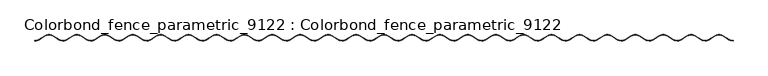
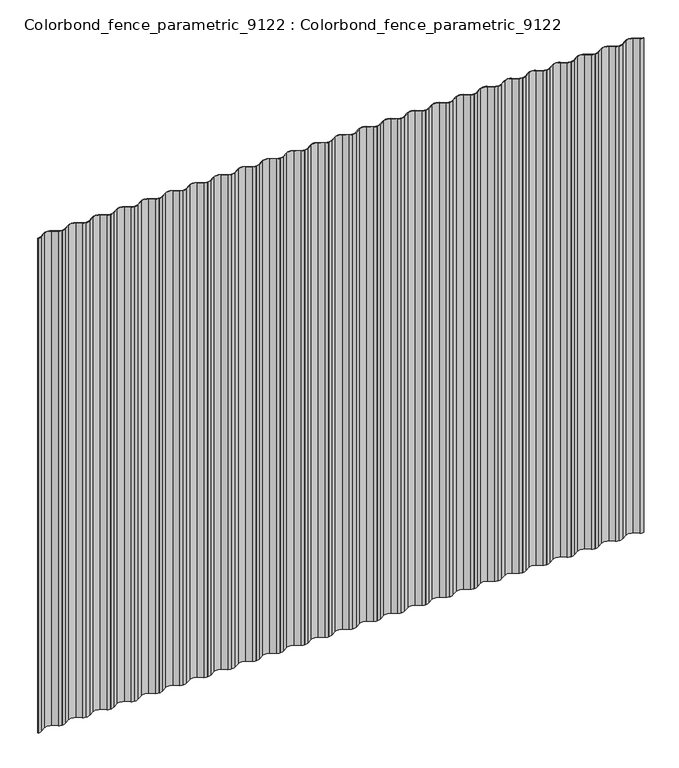
"""IFC4 building model written with IfcOpenShell, lengths in millimetres: geographic element geometry, Colorbond_fence_parametric_9122 : Colorbond_fence_parametric_9122."""

from ifc_helpers import new_model, si_unit, point, frame, frame_2d, origin, place, context, project, spatial, polyline, circle_curve, trimmed, segment, composite_curve, outline, extrude, source, transform, mapped, element, save


def colorbond_fence_parametric_9122_colorbond_fence_parametric_414542cd(model_context):
    return source(origin(), model_context, "Body", "SweptSolid", [
        extrude(outline(composite_curve([segment(trimmed(circle_curve(frame_2d((882.3667914, 13.9335607)), 21.4733449), [point((882.3667914, -7.5397842))], [point((893.0655936, -4.6847145))], True, "CARTESIAN"), True, "CONTINUOUS"), segment(polyline([(893.0655936, -4.6847145), (908.6247884, 5.3129837)]), True, "CONTINUOUS"), segment(trimmed(circle_curve(frame_2d((920.3628068, -15.1415588)), 23.5832437), [point((908.6247884, 5.3129837))], [point((932.1008248, 5.3129839))], False, "CARTESIAN"), True, "CONTINUOUS"), segment(polyline([(932.1008248, 5.3129839), (947.6530653, -4.6802451)]), True, "CONTINUOUS"), segment(trimmed(circle_curve(frame_2d((958.3588223, 14.6914759)), 22.1331608), [point((947.6530653, -4.6802451))], [point((958.3588221, -7.4416849))], True, "CARTESIAN"), True, "CONTINUOUS"), segment(polyline([(958.3588221, -7.4416849), (958.3588221, -8.4416849)]), True, "CONTINUOUS"), segment(trimmed(circle_curve(frame_2d((958.3588223, 14.6914759)), 23.1331608), [point((958.3588221, -8.4416849))], [point((947.1400558, -5.5392534))], False, "CARTESIAN"), True, "CONTINUOUS"), segment(polyline([(947.1400558, -5.5392534), (931.5815734, 4.4579864)]), True, "CONTINUOUS"), segment(trimmed(circle_curve(frame_2d((920.3628068, -15.1415588)), 22.5832437), [point((931.5815734, 4.4579864))], [point((909.1440398, 4.4579862))], True, "CARTESIAN"), True, "CONTINUOUS"), segment(polyline([(909.1440398, 4.4579862), (893.5855584, -5.5392536)]), True, "CONTINUOUS"), segment(trimmed(circle_curve(frame_2d((882.3667914, 13.9335607)), 22.4733449), [point((893.5855584, -5.5392536))], [point((882.3667914, -8.5397842))], False, "CARTESIAN"), True, "CONTINUOUS"), segment(polyline([(882.3667914, -8.5397842), (882.3667914, -7.5397842)]), True, "CONTINUOUS")], self_intersect=False)), frame((0.0, 0.0, 110.0), z_axis=(0.0, 0.0, 1.0), x_axis=(1.0, 0.0, 0.0)), (0.0, 0.0, 1.0), 1630.0),
        extrude(outline(composite_curve([segment(trimmed(circle_curve(frame_2d((806.8283298, 13.9335607)), 21.4733449), [point((806.8283298, -7.5397842))], [point((817.5271321, -4.6847145))], True, "CARTESIAN"), True, "CONTINUOUS"), segment(polyline([(817.5271321, -4.6847145), (833.0863269, 5.3129837)]), True, "CONTINUOUS"), segment(trimmed(circle_curve(frame_2d((844.8243452, -15.1415588)), 23.5832437), [point((833.0863269, 5.3129837))], [point((856.5623632, 5.3129839))], False, "CARTESIAN"), True, "CONTINUOUS"), segment(polyline([(856.5623632, 5.3129839), (872.1146038, -4.6802451)]), True, "CONTINUOUS"), segment(trimmed(circle_curve(frame_2d((882.8203608, 14.6914759)), 22.1331608), [point((872.1146038, -4.6802451))], [point((882.8203605, -7.4416849))], True, "CARTESIAN"), True, "CONTINUOUS"), segment(polyline([(882.8203605, -7.4416849), (882.8203605, -8.4416849)]), True, "CONTINUOUS"), segment(trimmed(circle_curve(frame_2d((882.8203608, 14.6914759)), 23.1331608), [point((882.8203605, -8.4416849))], [point((871.6015943, -5.5392534))], False, "CARTESIAN"), True, "CONTINUOUS"), segment(polyline([(871.6015943, -5.5392534), (856.0431118, 4.4579864)]), True, "CONTINUOUS"), segment(trimmed(circle_curve(frame_2d((844.8243452, -15.1415588)), 22.5832437), [point((856.0431118, 4.4579864))], [point((833.6055783, 4.4579862))], True, "CARTESIAN"), True, "CONTINUOUS"), segment(polyline([(833.6055783, 4.4579862), (818.0470968, -5.5392536)]), True, "CONTINUOUS"), segment(trimmed(circle_curve(frame_2d((806.8283298, 13.9335607)), 22.4733449), [point((818.0470968, -5.5392536))], [point((806.8283298, -8.5397842))], False, "CARTESIAN"), True, "CONTINUOUS"), segment(polyline([(806.8283298, -8.5397842), (806.8283298, -7.5397842)]), True, "CONTINUOUS")], self_intersect=False)), frame((0.0, 0.0, 110.0), z_axis=(0.0, 0.0, 1.0), x_axis=(1.0, 0.0, 0.0)), (0.0, 0.0, 1.0), 1630.0),
        extrude(outline(composite_curve([segment(trimmed(circle_curve(frame_2d((731.2898683, 13.9335607)), 21.4733449), [point((731.2898683, -7.5397842))], [point((741.9886706, -4.6847145))], True, "CARTESIAN"), True, "CONTINUOUS"), segment(polyline([(741.9886706, -4.6847145), (757.5478653, 5.3129837)]), True, "CONTINUOUS"), segment(trimmed(circle_curve(frame_2d((769.2858837, -15.1415588)), 23.5832437), [point((757.5478653, 5.3129837))], [point((781.0239017, 5.3129839))], False, "CARTESIAN"), True, "CONTINUOUS"), segment(polyline([(781.0239017, 5.3129839), (796.5761422, -4.6802451)]), True, "CONTINUOUS"), segment(trimmed(circle_curve(frame_2d((807.2818992, 14.6914759)), 22.1331608), [point((796.5761422, -4.6802451))], [point((807.281899, -7.4416849))], True, "CARTESIAN"), True, "CONTINUOUS"), segment(polyline([(807.281899, -7.4416849), (807.281899, -8.4416849)]), True, "CONTINUOUS"), segment(trimmed(circle_curve(frame_2d((807.2818992, 14.6914759)), 23.1331608), [point((807.281899, -8.4416849))], [point((796.0631327, -5.5392534))], False, "CARTESIAN"), True, "CONTINUOUS"), segment(polyline([(796.0631327, -5.5392534), (780.5046503, 4.4579864)]), True, "CONTINUOUS"), segment(trimmed(circle_curve(frame_2d((769.2858837, -15.1415588)), 22.5832437), [point((780.5046503, 4.4579864))], [point((758.0671167, 4.4579862))], True, "CARTESIAN"), True, "CONTINUOUS"), segment(polyline([(758.0671167, 4.4579862), (742.5086353, -5.5392536)]), True, "CONTINUOUS"), segment(trimmed(circle_curve(frame_2d((731.2898683, 13.9335607)), 22.4733449), [point((742.5086353, -5.5392536))], [point((731.2898683, -8.5397842))], False, "CARTESIAN"), True, "CONTINUOUS"), segment(polyline([(731.2898683, -8.5397842), (731.2898683, -7.5397842)]), True, "CONTINUOUS")], self_intersect=False)), frame((0.0, 0.0, 110.0), z_axis=(0.0, 0.0, 1.0), x_axis=(1.0, 0.0, 0.0)), (0.0, 0.0, 1.0), 1630.0),
        extrude(outline(composite_curve([segment(trimmed(circle_curve(frame_2d((655.7514068, 13.9335607)), 21.4733449), [point((655.7514068, -7.5397842))], [point((666.450209, -4.6847145))], True, "CARTESIAN"), True, "CONTINUOUS"), segment(polyline([(666.450209, -4.6847145), (682.0094038, 5.3129837)]), True, "CONTINUOUS"), segment(trimmed(circle_curve(frame_2d((693.7474222, -15.1415588)), 23.5832437), [point((682.0094038, 5.3129837))], [point((705.4854401, 5.3129839))], False, "CARTESIAN"), True, "CONTINUOUS"), segment(polyline([(705.4854401, 5.3129839), (721.0376807, -4.6802451)]), True, "CONTINUOUS"), segment(trimmed(circle_curve(frame_2d((731.7434377, 14.6914759)), 22.1331608), [point((721.0376807, -4.6802451))], [point((731.7434375, -7.4416849))], True, "CARTESIAN"), True, "CONTINUOUS"), segment(polyline([(731.7434375, -7.4416849), (731.7434375, -8.4416849)]), True, "CONTINUOUS"), segment(trimmed(circle_curve(frame_2d((731.7434377, 14.6914759)), 23.1331608), [point((731.7434375, -8.4416849))], [point((720.5246712, -5.5392534))], False, "CARTESIAN"), True, "CONTINUOUS"), segment(polyline([(720.5246712, -5.5392534), (704.9661888, 4.4579864)]), True, "CONTINUOUS"), segment(trimmed(circle_curve(frame_2d((693.7474222, -15.1415588)), 22.5832437), [point((704.9661888, 4.4579864))], [point((682.5286552, 4.4579862))], True, "CARTESIAN"), True, "CONTINUOUS"), segment(polyline([(682.5286552, 4.4579862), (666.9701738, -5.5392536)]), True, "CONTINUOUS"), segment(trimmed(circle_curve(frame_2d((655.7514068, 13.9335607)), 22.4733449), [point((666.9701738, -5.5392536))], [point((655.7514068, -8.5397842))], False, "CARTESIAN"), True, "CONTINUOUS"), segment(polyline([(655.7514068, -8.5397842), (655.7514068, -7.5397842)]), True, "CONTINUOUS")], self_intersect=False)), frame((0.0, 0.0, 110.0), z_axis=(0.0, 0.0, 1.0), x_axis=(1.0, 0.0, 0.0)), (0.0, 0.0, 1.0), 1630.0),
        extrude(outline(composite_curve([segment(trimmed(circle_curve(frame_2d((580.2129452, 13.9335607)), 21.4733449), [point((580.2129452, -7.5397842))], [point((590.9117475, -4.6847145))], True, "CARTESIAN"), True, "CONTINUOUS"), segment(polyline([(590.9117475, -4.6847145), (606.4709423, 5.3129837)]), True, "CONTINUOUS"), segment(trimmed(circle_curve(frame_2d((618.2089606, -15.1415588)), 23.5832437), [point((606.4709423, 5.3129837))], [point((629.9469786, 5.3129839))], False, "CARTESIAN"), True, "CONTINUOUS"), segment(polyline([(629.9469786, 5.3129839), (645.4992192, -4.6802451)]), True, "CONTINUOUS"), segment(trimmed(circle_curve(frame_2d((656.2049761, 14.6914759)), 22.1331608), [point((645.4992192, -4.6802451))], [point((656.2049759, -7.4416849))], True, "CARTESIAN"), True, "CONTINUOUS"), segment(polyline([(656.2049759, -7.4416849), (656.2049759, -8.4416849)]), True, "CONTINUOUS"), segment(trimmed(circle_curve(frame_2d((656.2049761, 14.6914759)), 23.1331608), [point((656.2049759, -8.4416849))], [point((644.9862097, -5.5392534))], False, "CARTESIAN"), True, "CONTINUOUS"), segment(polyline([(644.9862097, -5.5392534), (629.4277272, 4.4579864)]), True, "CONTINUOUS"), segment(trimmed(circle_curve(frame_2d((618.2089606, -15.1415588)), 22.5832437), [point((629.4277272, 4.4579864))], [point((606.9901937, 4.4579862))], True, "CARTESIAN"), True, "CONTINUOUS"), segment(polyline([(606.9901937, 4.4579862), (591.4317122, -5.5392536)]), True, "CONTINUOUS"), segment(trimmed(circle_curve(frame_2d((580.2129452, 13.9335607)), 22.4733449), [point((591.4317122, -5.5392536))], [point((580.2129452, -8.5397842))], False, "CARTESIAN"), True, "CONTINUOUS"), segment(polyline([(580.2129452, -8.5397842), (580.2129452, -7.5397842)]), True, "CONTINUOUS")], self_intersect=False)), frame((0.0, 0.0, 110.0), z_axis=(0.0, 0.0, 1.0), x_axis=(1.0, 0.0, 0.0)), (0.0, 0.0, 1.0), 1630.0),
        extrude(outline(composite_curve([segment(trimmed(circle_curve(frame_2d((504.6744837, 13.9335607)), 21.4733449), [point((504.6744837, -7.5397842))], [point((515.373286, -4.6847145))], True, "CARTESIAN"), True, "CONTINUOUS"), segment(polyline([(515.373286, -4.6847145), (530.9324807, 5.3129837)]), True, "CONTINUOUS"), segment(trimmed(circle_curve(frame_2d((542.6704991, -15.1415588)), 23.5832437), [point((530.9324807, 5.3129837))], [point((554.4085171, 5.3129839))], False, "CARTESIAN"), True, "CONTINUOUS"), segment(polyline([(554.4085171, 5.3129839), (569.9607576, -4.6802451)]), True, "CONTINUOUS"), segment(trimmed(circle_curve(frame_2d((580.6665146, 14.6914759)), 22.1331608), [point((569.9607576, -4.6802451))], [point((580.6665144, -7.4416849))], True, "CARTESIAN"), True, "CONTINUOUS"), segment(polyline([(580.6665144, -7.4416849), (580.6665144, -8.4416849)]), True, "CONTINUOUS"), segment(trimmed(circle_curve(frame_2d((580.6665146, 14.6914759)), 23.1331608), [point((580.6665144, -8.4416849))], [point((569.4477481, -5.5392534))], False, "CARTESIAN"), True, "CONTINUOUS"), segment(polyline([(569.4477481, -5.5392534), (553.8892657, 4.4579864)]), True, "CONTINUOUS"), segment(trimmed(circle_curve(frame_2d((542.6704991, -15.1415588)), 22.5832437), [point((553.8892657, 4.4579864))], [point((531.4517321, 4.4579862))], True, "CARTESIAN"), True, "CONTINUOUS"), segment(polyline([(531.4517321, 4.4579862), (515.8932507, -5.5392536)]), True, "CONTINUOUS"), segment(trimmed(circle_curve(frame_2d((504.6744837, 13.9335607)), 22.4733449), [point((515.8932507, -5.5392536))], [point((504.6744837, -8.5397842))], False, "CARTESIAN"), True, "CONTINUOUS"), segment(polyline([(504.6744837, -8.5397842), (504.6744837, -7.5397842)]), True, "CONTINUOUS")], self_intersect=False)), frame((0.0, 0.0, 110.0), z_axis=(0.0, 0.0, 1.0), x_axis=(1.0, 0.0, 0.0)), (0.0, 0.0, 1.0), 1630.0),
        extrude(outline(composite_curve([segment(trimmed(circle_curve(frame_2d((429.1360222, 13.9335607)), 21.4733449), [point((429.1360222, -7.5397842))], [point((439.8348244, -4.6847145))], True, "CARTESIAN"), True, "CONTINUOUS"), segment(polyline([(439.8348244, -4.6847145), (455.3940192, 5.3129837)]), True, "CONTINUOUS"), segment(trimmed(circle_curve(frame_2d((467.1320376, -15.1415588)), 23.5832437), [point((455.3940192, 5.3129837))], [point((478.8700555, 5.3129839))], False, "CARTESIAN"), True, "CONTINUOUS"), segment(polyline([(478.8700555, 5.3129839), (494.4222961, -4.6802451)]), True, "CONTINUOUS"), segment(trimmed(circle_curve(frame_2d((505.1280531, 14.6914759)), 22.1331608), [point((494.4222961, -4.6802451))], [point((505.1280528, -7.4416849))], True, "CARTESIAN"), True, "CONTINUOUS"), segment(polyline([(505.1280528, -7.4416849), (505.1280528, -8.4416849)]), True, "CONTINUOUS"), segment(trimmed(circle_curve(frame_2d((505.1280531, 14.6914759)), 23.1331608), [point((505.1280528, -8.4416849))], [point((493.9092866, -5.5392534))], False, "CARTESIAN"), True, "CONTINUOUS"), segment(polyline([(493.9092866, -5.5392534), (478.3508042, 4.4579864)]), True, "CONTINUOUS"), segment(trimmed(circle_curve(frame_2d((467.1320376, -15.1415588)), 22.5832437), [point((478.3508042, 4.4579864))], [point((455.9132706, 4.4579862))], True, "CARTESIAN"), True, "CONTINUOUS"), segment(polyline([(455.9132706, 4.4579862), (440.3547892, -5.5392536)]), True, "CONTINUOUS"), segment(trimmed(circle_curve(frame_2d((429.1360222, 13.9335607)), 22.4733449), [point((440.3547892, -5.5392536))], [point((429.1360222, -8.5397842))], False, "CARTESIAN"), True, "CONTINUOUS"), segment(polyline([(429.1360222, -8.5397842), (429.1360222, -7.5397842)]), True, "CONTINUOUS")], self_intersect=False)), frame((0.0, 0.0, 110.0), z_axis=(0.0, 0.0, 1.0), x_axis=(1.0, 0.0, 0.0)), (0.0, 0.0, 1.0), 1630.0),
        extrude(outline(composite_curve([segment(trimmed(circle_curve(frame_2d((353.5975606, 13.9335607)), 21.4733449), [point((353.5975606, -7.5397842))], [point((364.2963629, -4.6847145))], True, "CARTESIAN"), True, "CONTINUOUS"), segment(polyline([(364.2963629, -4.6847145), (379.8555577, 5.3129837)]), True, "CONTINUOUS"), segment(trimmed(circle_curve(frame_2d((391.593576, -15.1415588)), 23.5832437), [point((379.8555577, 5.3129837))], [point((403.331594, 5.3129839))], False, "CARTESIAN"), True, "CONTINUOUS"), segment(polyline([(403.331594, 5.3129839), (418.8838346, -4.6802451)]), True, "CONTINUOUS"), segment(trimmed(circle_curve(frame_2d((429.5895915, 14.6914759)), 22.1331608), [point((418.8838346, -4.6802451))], [point((429.5895913, -7.4416849))], True, "CARTESIAN"), True, "CONTINUOUS"), segment(polyline([(429.5895913, -7.4416849), (429.5895913, -8.4416849)]), True, "CONTINUOUS"), segment(trimmed(circle_curve(frame_2d((429.5895915, 14.6914759)), 23.1331608), [point((429.5895913, -8.4416849))], [point((418.3708251, -5.5392534))], False, "CARTESIAN"), True, "CONTINUOUS"), segment(polyline([(418.3708251, -5.5392534), (402.8123426, 4.4579864)]), True, "CONTINUOUS"), segment(trimmed(circle_curve(frame_2d((391.593576, -15.1415588)), 22.5832437), [point((402.8123426, 4.4579864))], [point((380.3748091, 4.4579862))], True, "CARTESIAN"), True, "CONTINUOUS"), segment(polyline([(380.3748091, 4.4579862), (364.8163276, -5.5392536)]), True, "CONTINUOUS"), segment(trimmed(circle_curve(frame_2d((353.5975606, 13.9335607)), 22.4733449), [point((364.8163276, -5.5392536))], [point((353.5975606, -8.5397842))], False, "CARTESIAN"), True, "CONTINUOUS"), segment(polyline([(353.5975606, -8.5397842), (353.5975606, -7.5397842)]), True, "CONTINUOUS")], self_intersect=False)), frame((0.0, 0.0, 110.0), z_axis=(0.0, 0.0, 1.0), x_axis=(1.0, 0.0, 0.0)), (0.0, 0.0, 1.0), 1630.0),
        extrude(outline(composite_curve([segment(trimmed(circle_curve(frame_2d((278.0590991, 13.9335607)), 21.4733449), [point((278.0590991, -7.5397842))], [point((288.7579013, -4.6847145))], True, "CARTESIAN"), True, "CONTINUOUS"), segment(polyline([(288.7579013, -4.6847145), (304.3170961, 5.3129837)]), True, "CONTINUOUS"), segment(trimmed(circle_curve(frame_2d((316.0551145, -15.1415588)), 23.5832437), [point((304.3170961, 5.3129837))], [point((327.7931325, 5.3129839))], False, "CARTESIAN"), True, "CONTINUOUS"), segment(polyline([(327.7931325, 5.3129839), (343.345373, -4.6802451)]), True, "CONTINUOUS"), segment(trimmed(circle_curve(frame_2d((354.05113, 14.6914759)), 22.1331608), [point((343.345373, -4.6802451))], [point((354.0511298, -7.4416849))], True, "CARTESIAN"), True, "CONTINUOUS"), segment(polyline([(354.0511298, -7.4416849), (354.0511298, -8.4416849)]), True, "CONTINUOUS"), segment(trimmed(circle_curve(frame_2d((354.05113, 14.6914759)), 23.1331608), [point((354.0511298, -8.4416849))], [point((342.8323635, -5.5392534))], False, "CARTESIAN"), True, "CONTINUOUS"), segment(polyline([(342.8323635, -5.5392534), (327.2738811, 4.4579864)]), True, "CONTINUOUS"), segment(trimmed(circle_curve(frame_2d((316.0551145, -15.1415588)), 22.5832437), [point((327.2738811, 4.4579864))], [point((304.8363475, 4.4579862))], True, "CARTESIAN"), True, "CONTINUOUS"), segment(polyline([(304.8363475, 4.4579862), (289.2778661, -5.5392536)]), True, "CONTINUOUS"), segment(trimmed(circle_curve(frame_2d((278.0590991, 13.9335607)), 22.4733449), [point((289.2778661, -5.5392536))], [point((278.0590991, -8.5397842))], False, "CARTESIAN"), True, "CONTINUOUS"), segment(polyline([(278.0590991, -8.5397842), (278.0590991, -7.5397842)]), True, "CONTINUOUS")], self_intersect=False)), frame((0.0, 0.0, 110.0), z_axis=(0.0, 0.0, 1.0), x_axis=(1.0, 0.0, 0.0)), (0.0, 0.0, 1.0), 1630.0),
        extrude(outline(composite_curve([segment(trimmed(circle_curve(frame_2d((202.5206375, 13.9335607)), 21.4733449), [point((202.5206375, -7.5397842))], [point((213.2194398, -4.6847145))], True, "CARTESIAN"), True, "CONTINUOUS"), segment(polyline([(213.2194398, -4.6847145), (228.7786346, 5.3129837)]), True, "CONTINUOUS"), segment(trimmed(circle_curve(frame_2d((240.5166529, -15.1415588)), 23.5832437), [point((228.7786346, 5.3129837))], [point((252.2546709, 5.3129839))], False, "CARTESIAN"), True, "CONTINUOUS"), segment(polyline([(252.2546709, 5.3129839), (267.8069115, -4.6802451)]), True, "CONTINUOUS"), segment(trimmed(circle_curve(frame_2d((278.5126684, 14.6914759)), 22.1331608), [point((267.8069115, -4.6802451))], [point((278.5126682, -7.4416849))], True, "CARTESIAN"), True, "CONTINUOUS"), segment(polyline([(278.5126682, -7.4416849), (278.5126682, -8.4416849)]), True, "CONTINUOUS"), segment(trimmed(circle_curve(frame_2d((278.5126684, 14.6914759)), 23.1331608), [point((278.5126682, -8.4416849))], [point((267.293902, -5.5392534))], False, "CARTESIAN"), True, "CONTINUOUS"), segment(polyline([(267.293902, -5.5392534), (251.7354195, 4.4579864)]), True, "CONTINUOUS"), segment(trimmed(circle_curve(frame_2d((240.5166529, -15.1415588)), 22.5832437), [point((251.7354195, 4.4579864))], [point((229.297886, 4.4579862))], True, "CARTESIAN"), True, "CONTINUOUS"), segment(polyline([(229.297886, 4.4579862), (213.7394045, -5.5392536)]), True, "CONTINUOUS"), segment(trimmed(circle_curve(frame_2d((202.5206375, 13.9335607)), 22.4733449), [point((213.7394045, -5.5392536))], [point((202.5206375, -8.5397842))], False, "CARTESIAN"), True, "CONTINUOUS"), segment(polyline([(202.5206375, -8.5397842), (202.5206375, -7.5397842)]), True, "CONTINUOUS")], self_intersect=False)), frame((0.0, 0.0, 110.0), z_axis=(0.0, 0.0, 1.0), x_axis=(1.0, 0.0, 0.0)), (0.0, 0.0, 1.0), 1630.0),
        extrude(outline(composite_curve([segment(trimmed(circle_curve(frame_2d((126.982176, 13.9335607)), 21.4733449), [point((126.982176, -7.5397842))], [point((137.6809783, -4.6847145))], True, "CARTESIAN"), True, "CONTINUOUS"), segment(polyline([(137.6809783, -4.6847145), (153.240173, 5.3129837)]), True, "CONTINUOUS"), segment(trimmed(circle_curve(frame_2d((164.9781914, -15.1415588)), 23.5832437), [point((153.240173, 5.3129837))], [point((176.7162094, 5.3129839))], False, "CARTESIAN"), True, "CONTINUOUS"), segment(polyline([(176.7162094, 5.3129839), (192.2684499, -4.6802451)]), True, "CONTINUOUS"), segment(trimmed(circle_curve(frame_2d((202.9742069, 14.6914759)), 22.1331608), [point((192.2684499, -4.6802451))], [point((202.9742067, -7.4416849))], True, "CARTESIAN"), True, "CONTINUOUS"), segment(polyline([(202.9742067, -7.4416849), (202.9742067, -8.4416849)]), True, "CONTINUOUS"), segment(trimmed(circle_curve(frame_2d((202.9742069, 14.6914759)), 23.1331608), [point((202.9742067, -8.4416849))], [point((191.7554404, -5.5392534))], False, "CARTESIAN"), True, "CONTINUOUS"), segment(polyline([(191.7554404, -5.5392534), (176.196958, 4.4579864)]), True, "CONTINUOUS"), segment(trimmed(circle_curve(frame_2d((164.9781914, -15.1415588)), 22.5832437), [point((176.196958, 4.4579864))], [point((153.7594244, 4.4579862))], True, "CARTESIAN"), True, "CONTINUOUS"), segment(polyline([(153.7594244, 4.4579862), (138.200943, -5.5392536)]), True, "CONTINUOUS"), segment(trimmed(circle_curve(frame_2d((126.982176, 13.9335607)), 22.4733449), [point((138.200943, -5.5392536))], [point((126.982176, -8.5397842))], False, "CARTESIAN"), True, "CONTINUOUS"), segment(polyline([(126.982176, -8.5397842), (126.982176, -7.5397842)]), True, "CONTINUOUS")], self_intersect=False)), frame((0.0, 0.0, 110.0), z_axis=(0.0, 0.0, 1.0), x_axis=(1.0, 0.0, 0.0)), (0.0, 0.0, 1.0), 1630.0),
        extrude(outline(composite_curve([segment(trimmed(circle_curve(frame_2d((51.4437145, 13.9335607)), 21.4733449), [point((51.4437145, -7.5397842))], [point((62.1425167, -4.6847145))], True, "CARTESIAN"), True, "CONTINUOUS"), segment(polyline([(62.1425167, -4.6847145), (77.7017115, 5.3129837)]), True, "CONTINUOUS"), segment(trimmed(circle_curve(frame_2d((89.4397299, -15.1415588)), 23.5832437), [point((77.7017115, 5.3129837))], [point((101.1777478, 5.3129839))], False, "CARTESIAN"), True, "CONTINUOUS"), segment(polyline([(101.1777478, 5.3129839), (116.7299884, -4.6802451)]), True, "CONTINUOUS"), segment(trimmed(circle_curve(frame_2d((127.4357454, 14.6914759)), 22.1331608), [point((116.7299884, -4.6802451))], [point((127.4357452, -7.4416849))], True, "CARTESIAN"), True, "CONTINUOUS"), segment(polyline([(127.4357452, -7.4416849), (127.4357452, -8.4416849)]), True, "CONTINUOUS"), segment(trimmed(circle_curve(frame_2d((127.4357454, 14.6914759)), 23.1331608), [point((127.4357452, -8.4416849))], [point((116.2169789, -5.5392534))], False, "CARTESIAN"), True, "CONTINUOUS"), segment(polyline([(116.2169789, -5.5392534), (100.6584965, 4.4579864)]), True, "CONTINUOUS"), segment(trimmed(circle_curve(frame_2d((89.4397299, -15.1415588)), 22.5832437), [point((100.6584965, 4.4579864))], [point((78.2209629, 4.4579862))], True, "CARTESIAN"), True, "CONTINUOUS"), segment(polyline([(78.2209629, 4.4579862), (62.6624815, -5.5392536)]), True, "CONTINUOUS"), segment(trimmed(circle_curve(frame_2d((51.4437145, 13.9335607)), 22.4733449), [point((62.6624815, -5.5392536))], [point((51.4437145, -8.5397842))], False, "CARTESIAN"), True, "CONTINUOUS"), segment(polyline([(51.4437145, -8.5397842), (51.4437145, -7.5397842)]), True, "CONTINUOUS")], self_intersect=False)), frame((0.0, 0.0, 110.0), z_axis=(0.0, 0.0, 1.0), x_axis=(1.0, 0.0, 0.0)), (0.0, 0.0, 1.0), 1630.0),
        extrude(outline(composite_curve([segment(trimmed(circle_curve(frame_2d((-24.0947471, 13.9335607)), 21.4733449), [point((-24.0947471, -7.5397842))], [point((-13.3959448, -4.6847145))], True, "CARTESIAN"), True, "CONTINUOUS"), segment(polyline([(-13.3959448, -4.6847145), (2.16325, 5.3129837)]), True, "CONTINUOUS"), segment(trimmed(circle_curve(frame_2d((13.9012683, -15.1415588)), 23.5832437), [point((2.16325, 5.3129837))], [point((25.6392863, 5.3129839))], False, "CARTESIAN"), True, "CONTINUOUS"), segment(polyline([(25.6392863, 5.3129839), (41.1915269, -4.6802451)]), True, "CONTINUOUS"), segment(trimmed(circle_curve(frame_2d((51.8972838, 14.6914759)), 22.1331608), [point((41.1915269, -4.6802451))], [point((51.8972836, -7.4416849))], True, "CARTESIAN"), True, "CONTINUOUS"), segment(polyline([(51.8972836, -7.4416849), (51.8972836, -8.4416849)]), True, "CONTINUOUS"), segment(trimmed(circle_curve(frame_2d((51.8972838, 14.6914759)), 23.1331608), [point((51.8972836, -8.4416849))], [point((40.6785174, -5.5392534))], False, "CARTESIAN"), True, "CONTINUOUS"), segment(polyline([(40.6785174, -5.5392534), (25.1200349, 4.4579864)]), True, "CONTINUOUS"), segment(trimmed(circle_curve(frame_2d((13.9012683, -15.1415588)), 22.5832437), [point((25.1200349, 4.4579864))], [point((2.6825014, 4.4579862))], True, "CARTESIAN"), True, "CONTINUOUS"), segment(polyline([(2.6825014, 4.4579862), (-12.8759801, -5.5392536)]), True, "CONTINUOUS"), segment(trimmed(circle_curve(frame_2d((-24.0947471, 13.9335607)), 22.4733449), [point((-12.8759801, -5.5392536))], [point((-24.0947471, -8.5397842))], False, "CARTESIAN"), True, "CONTINUOUS"), segment(polyline([(-24.0947471, -8.5397842), (-24.0947471, -7.5397842)]), True, "CONTINUOUS")], self_intersect=False)), frame((0.0, 0.0, 110.0), z_axis=(0.0, 0.0, 1.0), x_axis=(1.0, 0.0, 0.0)), (0.0, 0.0, 1.0), 1630.0),
        extrude(outline(composite_curve([segment(trimmed(circle_curve(frame_2d((-99.6332086, 13.9335607)), 21.4733449), [point((-99.6332086, -7.5397842))], [point((-88.9344064, -4.6847145))], True, "CARTESIAN"), True, "CONTINUOUS"), segment(polyline([(-88.9344064, -4.6847145), (-73.3752116, 5.3129837)]), True, "CONTINUOUS"), segment(trimmed(circle_curve(frame_2d((-61.6371932, -15.1415588)), 23.5832437), [point((-73.3752116, 5.3129837))], [point((-49.8991752, 5.3129839))], False, "CARTESIAN"), True, "CONTINUOUS"), segment(polyline([(-49.8991752, 5.3129839), (-34.3469347, -4.6802451)]), True, "CONTINUOUS"), segment(trimmed(circle_curve(frame_2d((-23.6411777, 14.6914759)), 22.1331608), [point((-34.3469347, -4.6802451))], [point((-23.6411779, -7.4416849))], True, "CARTESIAN"), True, "CONTINUOUS"), segment(polyline([(-23.6411779, -7.4416849), (-23.6411779, -8.4416849)]), True, "CONTINUOUS"), segment(trimmed(circle_curve(frame_2d((-23.6411777, 14.6914759)), 23.1331608), [point((-23.6411779, -8.4416849))], [point((-34.8599442, -5.5392534))], False, "CARTESIAN"), True, "CONTINUOUS"), segment(polyline([(-34.8599442, -5.5392534), (-50.4184266, 4.4579864)]), True, "CONTINUOUS"), segment(trimmed(circle_curve(frame_2d((-61.6371932, -15.1415588)), 22.5832437), [point((-50.4184266, 4.4579864))], [point((-72.8559602, 4.4579862))], True, "CARTESIAN"), True, "CONTINUOUS"), segment(polyline([(-72.8559602, 4.4579862), (-88.4144416, -5.5392536)]), True, "CONTINUOUS"), segment(trimmed(circle_curve(frame_2d((-99.6332086, 13.9335607)), 22.4733449), [point((-88.4144416, -5.5392536))], [point((-99.6332086, -8.5397842))], False, "CARTESIAN"), True, "CONTINUOUS"), segment(polyline([(-99.6332086, -8.5397842), (-99.6332086, -7.5397842)]), True, "CONTINUOUS")], self_intersect=False)), frame((0.0, 0.0, 110.0), z_axis=(0.0, 0.0, 1.0), x_axis=(1.0, 0.0, 0.0)), (0.0, 0.0, 1.0), 1630.0),
        extrude(outline(composite_curve([segment(trimmed(circle_curve(frame_2d((-175.1716702, 13.9335607)), 21.4733449), [point((-175.1716702, -7.5397842))], [point((-164.4728679, -4.6847145))], True, "CARTESIAN"), True, "CONTINUOUS"), segment(polyline([(-164.4728679, -4.6847145), (-148.9136731, 5.3129837)]), True, "CONTINUOUS"), segment(trimmed(circle_curve(frame_2d((-137.1756548, -15.1415588)), 23.5832437), [point((-148.9136731, 5.3129837))], [point((-125.4376368, 5.3129839))], False, "CARTESIAN"), True, "CONTINUOUS"), segment(polyline([(-125.4376368, 5.3129839), (-109.8853962, -4.6802451)]), True, "CONTINUOUS"), segment(trimmed(circle_curve(frame_2d((-99.1796392, 14.6914759)), 22.1331608), [point((-109.8853962, -4.6802451))], [point((-99.1796395, -7.4416849))], True, "CARTESIAN"), True, "CONTINUOUS"), segment(polyline([(-99.1796395, -7.4416849), (-99.1796395, -8.4416849)]), True, "CONTINUOUS"), segment(trimmed(circle_curve(frame_2d((-99.1796392, 14.6914759)), 23.1331608), [point((-99.1796395, -8.4416849))], [point((-110.3984057, -5.5392534))], False, "CARTESIAN"), True, "CONTINUOUS"), segment(polyline([(-110.3984057, -5.5392534), (-125.9568882, 4.4579864)]), True, "CONTINUOUS"), segment(trimmed(circle_curve(frame_2d((-137.1756548, -15.1415588)), 22.5832437), [point((-125.9568882, 4.4579864))], [point((-148.3944217, 4.4579862))], True, "CARTESIAN"), True, "CONTINUOUS"), segment(polyline([(-148.3944217, 4.4579862), (-163.9529032, -5.5392536)]), True, "CONTINUOUS"), segment(trimmed(circle_curve(frame_2d((-175.1716702, 13.9335607)), 22.4733449), [point((-163.9529032, -5.5392536))], [point((-175.1716702, -8.5397842))], False, "CARTESIAN"), True, "CONTINUOUS"), segment(polyline([(-175.1716702, -8.5397842), (-175.1716702, -7.5397842)]), True, "CONTINUOUS")], self_intersect=False)), frame((0.0, 0.0, 110.0), z_axis=(0.0, 0.0, 1.0), x_axis=(1.0, 0.0, 0.0)), (0.0, 0.0, 1.0), 1630.0),
        extrude(outline(composite_curve([segment(trimmed(circle_curve(frame_2d((-250.7101317, 13.9335607)), 21.4733449), [point((-250.7101317, -7.5397842))], [point((-240.0113294, -4.6847145))], True, "CARTESIAN"), True, "CONTINUOUS"), segment(polyline([(-240.0113294, -4.6847145), (-224.4521347, 5.3129837)]), True, "CONTINUOUS"), segment(trimmed(circle_curve(frame_2d((-212.7141163, -15.1415588)), 23.5832437), [point((-224.4521347, 5.3129837))], [point((-200.9760983, 5.3129839))], False, "CARTESIAN"), True, "CONTINUOUS"), segment(polyline([(-200.9760983, 5.3129839), (-185.4238578, -4.6802451)]), True, "CONTINUOUS"), segment(trimmed(circle_curve(frame_2d((-174.7181008, 14.6914759)), 22.1331608), [point((-185.4238578, -4.6802451))], [point((-174.718101, -7.4416849))], True, "CARTESIAN"), True, "CONTINUOUS"), segment(polyline([(-174.718101, -7.4416849), (-174.718101, -8.4416849)]), True, "CONTINUOUS"), segment(trimmed(circle_curve(frame_2d((-174.7181008, 14.6914759)), 23.1331608), [point((-174.718101, -8.4416849))], [point((-185.9368673, -5.5392534))], False, "CARTESIAN"), True, "CONTINUOUS"), segment(polyline([(-185.9368673, -5.5392534), (-201.4953497, 4.4579864)]), True, "CONTINUOUS"), segment(trimmed(circle_curve(frame_2d((-212.7141163, -15.1415588)), 22.5832437), [point((-201.4953497, 4.4579864))], [point((-223.9328833, 4.4579862))], True, "CARTESIAN"), True, "CONTINUOUS"), segment(polyline([(-223.9328833, 4.4579862), (-239.4913647, -5.5392536)]), True, "CONTINUOUS"), segment(trimmed(circle_curve(frame_2d((-250.7101317, 13.9335607)), 22.4733449), [point((-239.4913647, -5.5392536))], [point((-250.7101317, -8.5397842))], False, "CARTESIAN"), True, "CONTINUOUS"), segment(polyline([(-250.7101317, -8.5397842), (-250.7101317, -7.5397842)]), True, "CONTINUOUS")], self_intersect=False)), frame((0.0, 0.0, 110.0), z_axis=(0.0, 0.0, 1.0), x_axis=(1.0, 0.0, 0.0)), (0.0, 0.0, 1.0), 1630.0),
        extrude(outline(composite_curve([segment(trimmed(circle_curve(frame_2d((-326.2485932, 13.9335607)), 21.4733449), [point((-326.2485932, -7.5397842))], [point((-315.549791, -4.6847145))], True, "CARTESIAN"), True, "CONTINUOUS"), segment(polyline([(-315.549791, -4.6847145), (-299.9905962, 5.3129837)]), True, "CONTINUOUS"), segment(trimmed(circle_curve(frame_2d((-288.2525778, -15.1415588)), 23.5832437), [point((-299.9905962, 5.3129837))], [point((-276.5145599, 5.3129839))], False, "CARTESIAN"), True, "CONTINUOUS"), segment(polyline([(-276.5145599, 5.3129839), (-260.9623193, -4.6802451)]), True, "CONTINUOUS"), segment(trimmed(circle_curve(frame_2d((-250.2565623, 14.6914759)), 22.1331608), [point((-260.9623193, -4.6802451))], [point((-250.2565625, -7.4416849))], True, "CARTESIAN"), True, "CONTINUOUS"), segment(polyline([(-250.2565625, -7.4416849), (-250.2565625, -8.4416849)]), True, "CONTINUOUS"), segment(trimmed(circle_curve(frame_2d((-250.2565623, 14.6914759)), 23.1331608), [point((-250.2565625, -8.4416849))], [point((-261.4753288, -5.5392534))], False, "CARTESIAN"), True, "CONTINUOUS"), segment(polyline([(-261.4753288, -5.5392534), (-277.0338112, 4.4579864)]), True, "CONTINUOUS"), segment(trimmed(circle_curve(frame_2d((-288.2525778, -15.1415588)), 22.5832437), [point((-277.0338112, 4.4579864))], [point((-299.4713448, 4.4579862))], True, "CARTESIAN"), True, "CONTINUOUS"), segment(polyline([(-299.4713448, 4.4579862), (-315.0298262, -5.5392536)]), True, "CONTINUOUS"), segment(trimmed(circle_curve(frame_2d((-326.2485932, 13.9335607)), 22.4733449), [point((-315.0298262, -5.5392536))], [point((-326.2485932, -8.5397842))], False, "CARTESIAN"), True, "CONTINUOUS"), segment(polyline([(-326.2485932, -8.5397842), (-326.2485932, -7.5397842)]), True, "CONTINUOUS")], self_intersect=False)), frame((0.0, 0.0, 110.0), z_axis=(0.0, 0.0, 1.0), x_axis=(1.0, 0.0, 0.0)), (0.0, 0.0, 1.0), 1630.0),
        extrude(outline(composite_curve([segment(trimmed(circle_curve(frame_2d((-401.7870548, 13.9335607)), 21.4733449), [point((-401.7870548, -7.5397842))], [point((-391.0882525, -4.6847145))], True, "CARTESIAN"), True, "CONTINUOUS"), segment(polyline([(-391.0882525, -4.6847145), (-375.5290577, 5.3129837)]), True, "CONTINUOUS"), segment(trimmed(circle_curve(frame_2d((-363.7910394, -15.1415588)), 23.5832437), [point((-375.5290577, 5.3129837))], [point((-352.0530214, 5.3129839))], False, "CARTESIAN"), True, "CONTINUOUS"), segment(polyline([(-352.0530214, 5.3129839), (-336.5007808, -4.6802451)]), True, "CONTINUOUS"), segment(trimmed(circle_curve(frame_2d((-325.7950239, 14.6914759)), 22.1331608), [point((-336.5007808, -4.6802451))], [point((-325.7950241, -7.4416849))], True, "CARTESIAN"), True, "CONTINUOUS"), segment(polyline([(-325.7950241, -7.4416849), (-325.7950241, -8.4416849)]), True, "CONTINUOUS"), segment(trimmed(circle_curve(frame_2d((-325.7950239, 14.6914759)), 23.1331608), [point((-325.7950241, -8.4416849))], [point((-337.0137903, -5.5392534))], False, "CARTESIAN"), True, "CONTINUOUS"), segment(polyline([(-337.0137903, -5.5392534), (-352.5722728, 4.4579864)]), True, "CONTINUOUS"), segment(trimmed(circle_curve(frame_2d((-363.7910394, -15.1415588)), 22.5832437), [point((-352.5722728, 4.4579864))], [point((-375.0098063, 4.4579862))], True, "CARTESIAN"), True, "CONTINUOUS"), segment(polyline([(-375.0098063, 4.4579862), (-390.5682878, -5.5392536)]), True, "CONTINUOUS"), segment(trimmed(circle_curve(frame_2d((-401.7870548, 13.9335607)), 22.4733449), [point((-390.5682878, -5.5392536))], [point((-401.7870548, -8.5397842))], False, "CARTESIAN"), True, "CONTINUOUS"), segment(polyline([(-401.7870548, -8.5397842), (-401.7870548, -7.5397842)]), True, "CONTINUOUS")], self_intersect=False)), frame((0.0, 0.0, 110.0), z_axis=(0.0, 0.0, 1.0), x_axis=(1.0, 0.0, 0.0)), (0.0, 0.0, 1.0), 1630.0),
        extrude(outline(composite_curve([segment(trimmed(circle_curve(frame_2d((-477.3255163, 13.9335607)), 21.4733449), [point((-477.3255163, -7.5397842))], [point((-466.626714, -4.6847145))], True, "CARTESIAN"), True, "CONTINUOUS"), segment(polyline([(-466.626714, -4.6847145), (-451.0675193, 5.3129837)]), True, "CONTINUOUS"), segment(trimmed(circle_curve(frame_2d((-439.3295009, -15.1415588)), 23.5832437), [point((-451.0675193, 5.3129837))], [point((-427.5914829, 5.3129839))], False, "CARTESIAN"), True, "CONTINUOUS"), segment(polyline([(-427.5914829, 5.3129839), (-412.0392424, -4.6802451)]), True, "CONTINUOUS"), segment(trimmed(circle_curve(frame_2d((-401.3334854, 14.6914759)), 22.1331608), [point((-412.0392424, -4.6802451))], [point((-401.3334856, -7.4416849))], True, "CARTESIAN"), True, "CONTINUOUS"), segment(polyline([(-401.3334856, -7.4416849), (-401.3334856, -8.4416849)]), True, "CONTINUOUS"), segment(trimmed(circle_curve(frame_2d((-401.3334854, 14.6914759)), 23.1331608), [point((-401.3334856, -8.4416849))], [point((-412.5522519, -5.5392534))], False, "CARTESIAN"), True, "CONTINUOUS"), segment(polyline([(-412.5522519, -5.5392534), (-428.1107343, 4.4579864)]), True, "CONTINUOUS"), segment(trimmed(circle_curve(frame_2d((-439.3295009, -15.1415588)), 22.5832437), [point((-428.1107343, 4.4579864))], [point((-450.5482679, 4.4579862))], True, "CARTESIAN"), True, "CONTINUOUS"), segment(polyline([(-450.5482679, 4.4579862), (-466.1067493, -5.5392536)]), True, "CONTINUOUS"), segment(trimmed(circle_curve(frame_2d((-477.3255163, 13.9335607)), 22.4733449), [point((-466.1067493, -5.5392536))], [point((-477.3255163, -8.5397842))], False, "CARTESIAN"), True, "CONTINUOUS"), segment(polyline([(-477.3255163, -8.5397842), (-477.3255163, -7.5397842)]), True, "CONTINUOUS")], self_intersect=False)), frame((0.0, 0.0, 110.0), z_axis=(0.0, 0.0, 1.0), x_axis=(1.0, 0.0, 0.0)), (0.0, 0.0, 1.0), 1630.0),
        extrude(outline(composite_curve([segment(trimmed(circle_curve(frame_2d((-552.8639778, 13.9335607)), 21.4733449), [point((-552.8639778, -7.5397842))], [point((-542.1651756, -4.6847145))], True, "CARTESIAN"), True, "CONTINUOUS"), segment(polyline([(-542.1651756, -4.6847145), (-526.6059808, 5.3129837)]), True, "CONTINUOUS"), segment(trimmed(circle_curve(frame_2d((-514.8679624, -15.1415588)), 23.5832437), [point((-526.6059808, 5.3129837))], [point((-503.1299445, 5.3129839))], False, "CARTESIAN"), True, "CONTINUOUS"), segment(polyline([(-503.1299445, 5.3129839), (-487.5777039, -4.6802451)]), True, "CONTINUOUS"), segment(trimmed(circle_curve(frame_2d((-476.8719469, 14.6914759)), 22.1331608), [point((-487.5777039, -4.6802451))], [point((-476.8719472, -7.4416849))], True, "CARTESIAN"), True, "CONTINUOUS"), segment(polyline([(-476.8719472, -7.4416849), (-476.8719472, -8.4416849)]), True, "CONTINUOUS"), segment(trimmed(circle_curve(frame_2d((-476.8719469, 14.6914759)), 23.1331608), [point((-476.8719472, -8.4416849))], [point((-488.0907134, -5.5392534))], False, "CARTESIAN"), True, "CONTINUOUS"), segment(polyline([(-488.0907134, -5.5392534), (-503.6491958, 4.4579864)]), True, "CONTINUOUS"), segment(trimmed(circle_curve(frame_2d((-514.8679624, -15.1415588)), 22.5832437), [point((-503.6491958, 4.4579864))], [point((-526.0867294, 4.4579862))], True, "CARTESIAN"), True, "CONTINUOUS"), segment(polyline([(-526.0867294, 4.4579862), (-541.6452108, -5.5392536)]), True, "CONTINUOUS"), segment(trimmed(circle_curve(frame_2d((-552.8639778, 13.9335607)), 22.4733449), [point((-541.6452108, -5.5392536))], [point((-552.8639778, -8.5397842))], False, "CARTESIAN"), True, "CONTINUOUS"), segment(polyline([(-552.8639778, -8.5397842), (-552.8639778, -7.5397842)]), True, "CONTINUOUS")], self_intersect=False)), frame((0.0, 0.0, 110.0), z_axis=(0.0, 0.0, 1.0), x_axis=(1.0, 0.0, 0.0)), (0.0, 0.0, 1.0), 1630.0),
        extrude(outline(composite_curve([segment(trimmed(circle_curve(frame_2d((-628.4024394, 13.9335607)), 21.4733449), [point((-628.4024394, -7.5397842))], [point((-617.7036371, -4.6847145))], True, "CARTESIAN"), True, "CONTINUOUS"), segment(polyline([(-617.7036371, -4.6847145), (-602.1444423, 5.3129837)]), True, "CONTINUOUS"), segment(trimmed(circle_curve(frame_2d((-590.406424, -15.1415588)), 23.5832437), [point((-602.1444423, 5.3129837))], [point((-578.668406, 5.3129839))], False, "CARTESIAN"), True, "CONTINUOUS"), segment(polyline([(-578.668406, 5.3129839), (-563.1161654, -4.6802451)]), True, "CONTINUOUS"), segment(trimmed(circle_curve(frame_2d((-552.4104085, 14.6914759)), 22.1331608), [point((-563.1161654, -4.6802451))], [point((-552.4104087, -7.4416849))], True, "CARTESIAN"), True, "CONTINUOUS"), segment(polyline([(-552.4104087, -7.4416849), (-552.4104087, -8.4416849)]), True, "CONTINUOUS"), segment(trimmed(circle_curve(frame_2d((-552.4104085, 14.6914759)), 23.1331608), [point((-552.4104087, -8.4416849))], [point((-563.6291749, -5.5392534))], False, "CARTESIAN"), True, "CONTINUOUS"), segment(polyline([(-563.6291749, -5.5392534), (-579.1876574, 4.4579864)]), True, "CONTINUOUS"), segment(trimmed(circle_curve(frame_2d((-590.406424, -15.1415588)), 22.5832437), [point((-579.1876574, 4.4579864))], [point((-601.6251909, 4.4579862))], True, "CARTESIAN"), True, "CONTINUOUS"), segment(polyline([(-601.6251909, 4.4579862), (-617.1836724, -5.5392536)]), True, "CONTINUOUS"), segment(trimmed(circle_curve(frame_2d((-628.4024394, 13.9335607)), 22.4733449), [point((-617.1836724, -5.5392536))], [point((-628.4024394, -8.5397842))], False, "CARTESIAN"), True, "CONTINUOUS"), segment(polyline([(-628.4024394, -8.5397842), (-628.4024394, -7.5397842)]), True, "CONTINUOUS")], self_intersect=False)), frame((0.0, 0.0, 110.0), z_axis=(0.0, 0.0, 1.0), x_axis=(1.0, 0.0, 0.0)), (0.0, 0.0, 1.0), 1630.0),
        extrude(outline(composite_curve([segment(trimmed(circle_curve(frame_2d((-703.9409009, 13.9335607)), 21.4733449), [point((-703.9409009, -7.5397842))], [point((-693.2420987, -4.6847145))], True, "CARTESIAN"), True, "CONTINUOUS"), segment(polyline([(-693.2420987, -4.6847145), (-677.6829039, 5.3129837)]), True, "CONTINUOUS"), segment(trimmed(circle_curve(frame_2d((-665.9448855, -15.1415588)), 23.5832437), [point((-677.6829039, 5.3129837))], [point((-654.2068675, 5.3129839))], False, "CARTESIAN"), True, "CONTINUOUS"), segment(polyline([(-654.2068675, 5.3129839), (-638.654627, -4.6802451)]), True, "CONTINUOUS"), segment(trimmed(circle_curve(frame_2d((-627.94887, 14.6914759)), 22.1331608), [point((-638.654627, -4.6802451))], [point((-627.9488702, -7.4416849))], True, "CARTESIAN"), True, "CONTINUOUS"), segment(polyline([(-627.9488702, -7.4416849), (-627.9488702, -8.4416849)]), True, "CONTINUOUS"), segment(trimmed(circle_curve(frame_2d((-627.94887, 14.6914759)), 23.1331608), [point((-627.9488702, -8.4416849))], [point((-639.1676365, -5.5392534))], False, "CARTESIAN"), True, "CONTINUOUS"), segment(polyline([(-639.1676365, -5.5392534), (-654.7261189, 4.4579864)]), True, "CONTINUOUS"), segment(trimmed(circle_curve(frame_2d((-665.9448855, -15.1415588)), 22.5832437), [point((-654.7261189, 4.4579864))], [point((-677.1636525, 4.4579862))], True, "CARTESIAN"), True, "CONTINUOUS"), segment(polyline([(-677.1636525, 4.4579862), (-692.7221339, -5.5392536)]), True, "CONTINUOUS"), segment(trimmed(circle_curve(frame_2d((-703.9409009, 13.9335607)), 22.4733449), [point((-692.7221339, -5.5392536))], [point((-703.9409009, -8.5397842))], False, "CARTESIAN"), True, "CONTINUOUS"), segment(polyline([(-703.9409009, -8.5397842), (-703.9409009, -7.5397842)]), True, "CONTINUOUS")], self_intersect=False)), frame((0.0, 0.0, 110.0), z_axis=(0.0, 0.0, 1.0), x_axis=(1.0, 0.0, 0.0)), (0.0, 0.0, 1.0), 1630.0),
        extrude(outline(composite_curve([segment(trimmed(circle_curve(frame_2d((-779.4793625, 13.9335607)), 21.4733449), [point((-779.4793625, -7.5397842))], [point((-768.7805602, -4.6847145))], True, "CARTESIAN"), True, "CONTINUOUS"), segment(polyline([(-768.7805602, -4.6847145), (-753.2213654, 5.3129837)]), True, "CONTINUOUS"), segment(trimmed(circle_curve(frame_2d((-741.4833471, -15.1415588)), 23.5832437), [point((-753.2213654, 5.3129837))], [point((-729.7453291, 5.3129839))], False, "CARTESIAN"), True, "CONTINUOUS"), segment(polyline([(-729.7453291, 5.3129839), (-714.1930885, -4.6802451)]), True, "CONTINUOUS"), segment(trimmed(circle_curve(frame_2d((-703.4873316, 14.6914759)), 22.1331608), [point((-714.1930885, -4.6802451))], [point((-703.4873318, -7.4416849))], True, "CARTESIAN"), True, "CONTINUOUS"), segment(polyline([(-703.4873318, -7.4416849), (-703.4873318, -8.4416849)]), True, "CONTINUOUS"), segment(trimmed(circle_curve(frame_2d((-703.4873316, 14.6914759)), 23.1331608), [point((-703.4873318, -8.4416849))], [point((-714.706098, -5.5392534))], False, "CARTESIAN"), True, "CONTINUOUS"), segment(polyline([(-714.706098, -5.5392534), (-730.2645805, 4.4579864)]), True, "CONTINUOUS"), segment(trimmed(circle_curve(frame_2d((-741.4833471, -15.1415588)), 22.5832437), [point((-730.2645805, 4.4579864))], [point((-752.702114, 4.4579862))], True, "CARTESIAN"), True, "CONTINUOUS"), segment(polyline([(-752.702114, 4.4579862), (-768.2605955, -5.5392536)]), True, "CONTINUOUS"), segment(trimmed(circle_curve(frame_2d((-779.4793625, 13.9335607)), 22.4733449), [point((-768.2605955, -5.5392536))], [point((-779.4793625, -8.5397842))], False, "CARTESIAN"), True, "CONTINUOUS"), segment(polyline([(-779.4793625, -8.5397842), (-779.4793625, -7.5397842)]), True, "CONTINUOUS")], self_intersect=False)), frame((0.0, 0.0, 110.0), z_axis=(0.0, 0.0, 1.0), x_axis=(1.0, 0.0, 0.0)), (0.0, 0.0, 1.0), 1630.0),
        extrude(outline(composite_curve([segment(trimmed(circle_curve(frame_2d((-855.017824, 13.9335607)), 21.4733449), [point((-855.017824, -7.5397842))], [point((-844.3190217, -4.6847145))], True, "CARTESIAN"), True, "CONTINUOUS"), segment(polyline([(-844.3190217, -4.6847145), (-828.759827, 5.3129837)]), True, "CONTINUOUS"), segment(trimmed(circle_curve(frame_2d((-817.0218086, -15.1415588)), 23.5832437), [point((-828.759827, 5.3129837))], [point((-805.2837906, 5.3129839))], False, "CARTESIAN"), True, "CONTINUOUS"), segment(polyline([(-805.2837906, 5.3129839), (-789.7315501, -4.6802451)]), True, "CONTINUOUS"), segment(trimmed(circle_curve(frame_2d((-779.0257931, 14.6914759)), 22.1331608), [point((-789.7315501, -4.6802451))], [point((-779.0257933, -7.4416849))], True, "CARTESIAN"), True, "CONTINUOUS"), segment(polyline([(-779.0257933, -7.4416849), (-779.0257933, -8.4416849)]), True, "CONTINUOUS"), segment(trimmed(circle_curve(frame_2d((-779.0257931, 14.6914759)), 23.1331608), [point((-779.0257933, -8.4416849))], [point((-790.2445596, -5.5392534))], False, "CARTESIAN"), True, "CONTINUOUS"), segment(polyline([(-790.2445596, -5.5392534), (-805.803042, 4.4579864)]), True, "CONTINUOUS"), segment(trimmed(circle_curve(frame_2d((-817.0218086, -15.1415588)), 22.5832437), [point((-805.803042, 4.4579864))], [point((-828.2405756, 4.4579862))], True, "CARTESIAN"), True, "CONTINUOUS"), segment(polyline([(-828.2405756, 4.4579862), (-843.799057, -5.5392536)]), True, "CONTINUOUS"), segment(trimmed(circle_curve(frame_2d((-855.017824, 13.9335607)), 22.4733449), [point((-843.799057, -5.5392536))], [point((-855.017824, -8.5397842))], False, "CARTESIAN"), True, "CONTINUOUS"), segment(polyline([(-855.017824, -8.5397842), (-855.017824, -7.5397842)]), True, "CONTINUOUS")], self_intersect=False)), frame((0.0, 0.0, 110.0), z_axis=(0.0, 0.0, 1.0), x_axis=(1.0, 0.0, 0.0)), (0.0, 0.0, 1.0), 1630.0),
        extrude(outline(composite_curve([segment(trimmed(circle_curve(frame_2d((-930.5562855, 13.9335607)), 21.4733449), [point((-930.5562855, -7.5397842))], [point((-919.8574833, -4.6847145))], True, "CARTESIAN"), True, "CONTINUOUS"), segment(polyline([(-919.8574833, -4.6847145), (-904.2982885, 5.3129837)]), True, "CONTINUOUS"), segment(trimmed(circle_curve(frame_2d((-892.5602701, -15.1415588)), 23.5832437), [point((-904.2982885, 5.3129837))], [point((-880.8222522, 5.3129839))], False, "CARTESIAN"), True, "CONTINUOUS"), segment(polyline([(-880.8222522, 5.3129839), (-865.2700116, -4.6802451)]), True, "CONTINUOUS"), segment(trimmed(circle_curve(frame_2d((-854.5642546, 14.6914759)), 22.1331608), [point((-865.2700116, -4.6802451))], [point((-854.5642548, -7.4416849))], True, "CARTESIAN"), True, "CONTINUOUS"), segment(polyline([(-854.5642548, -7.4416849), (-854.5642548, -8.4416849)]), True, "CONTINUOUS"), segment(trimmed(circle_curve(frame_2d((-854.5642546, 14.6914759)), 23.1331608), [point((-854.5642548, -8.4416849))], [point((-865.7830211, -5.5392534))], False, "CARTESIAN"), True, "CONTINUOUS"), segment(polyline([(-865.7830211, -5.5392534), (-881.3415035, 4.4579864)]), True, "CONTINUOUS"), segment(trimmed(circle_curve(frame_2d((-892.5602701, -15.1415588)), 22.5832437), [point((-881.3415035, 4.4579864))], [point((-903.7790371, 4.4579862))], True, "CARTESIAN"), True, "CONTINUOUS"), segment(polyline([(-903.7790371, 4.4579862), (-919.3375185, -5.5392536)]), True, "CONTINUOUS"), segment(trimmed(circle_curve(frame_2d((-930.5562855, 13.9335607)), 22.4733449), [point((-919.3375185, -5.5392536))], [point((-930.5562855, -8.5397842))], False, "CARTESIAN"), True, "CONTINUOUS"), segment(polyline([(-930.5562855, -8.5397842), (-930.5562855, -7.5397842)]), True, "CONTINUOUS")], self_intersect=False)), frame((0.0, 0.0, 110.0), z_axis=(0.0, 0.0, 1.0), x_axis=(1.0, 0.0, 0.0)), (0.0, 0.0, 1.0), 1630.0),
    ])


if __name__ == "__main__":
    model = new_model("IFC4")
    model_context = context("Model", 3, world=origin())
    ifc_project = project(units=[si_unit("LENGTHUNIT", "METRE", prefix="MILLI")], contexts=[model_context])
    site = spatial("IfcSite", under=ifc_project)
    building = spatial("IfcBuilding", under=site)
    placement = place(None, origin())
    colorbond_fence_parametric_9122_colorbond_fence_parametric_shape = colorbond_fence_parametric_9122_colorbond_fence_parametric_414542cd(model_context)
    element("IfcGeographicElement", 1, ObjectType="Colorbond_fence_parametric_9122 : Colorbond_fence_parametric_9122", at=placement, inside=building, context=model_context, shape_type="MappedRepresentation", body=[
        mapped(colorbond_fence_parametric_9122_colorbond_fence_parametric_shape, transform((0.0, 0.0, 0.0), x_axis=(1.0, 0.0, 0.0), y_axis=(0.0, 1.0, 0.0), z_axis=(0.0, 0.0, 1.0))),
    ])
    save(model, "model.ifc")
